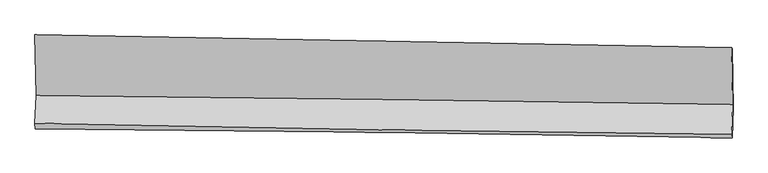
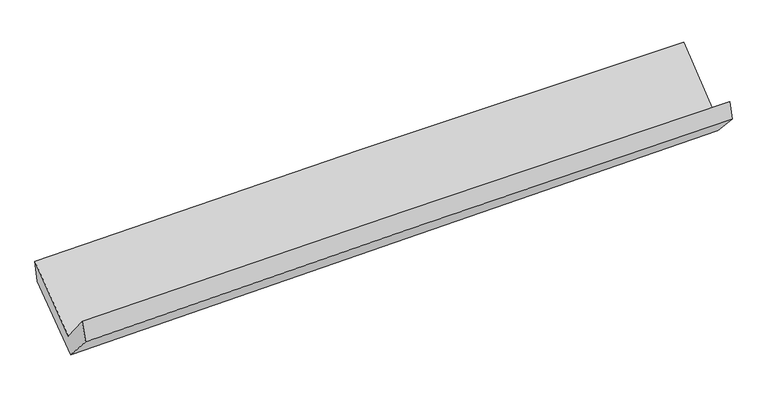
"""IFC4 building model written with IfcOpenShell, lengths in millimetres: proxy geometry."""

from ifc_helpers import new_model, si_unit, frame, origin, place, context, project, spatial, source, transform, mapped, element, save
from ifc_brep_helpers import plane_surface, spline_curve, spline_surface, advanced_brep


def generic_models_74ddb9eb(model_context):
    return source(origin(), model_context, "Body", "AdvancedBrep", [
        advanced_brep(
        [(-3033.9492264, -1154.9327019, 2163.5867828), (-3024.6073913, -1681.9347141, 1734.7535699), (3018.2999679, -1762.6088266, 1868.9818693), (3008.7177164, -1265.6338341, 2301.099995), (-3034.1661008, -1923.8536492, 2034.6337959), (3008.7897109, -2021.998297, 2164.0172711), (-3029.4272373, -1972.6681945, 1855.9562611), (3013.068191, -2050.3974168, 2005.4854176), (-3020.1165335, -1715.5732834, 1567.6713945), (3021.8047174, -1796.329735, 1737.2596864), (-3029.0346568, -1184.3264705, 1982.059635), (3013.158504, -1280.6695723, 2139.1220255)],
        [
            (0, 1),
            (1, 2, spline_curve(3, [(-3024.6073913, -1681.9347141, 1734.7535699), (-2017.299887975, -1692.02035971, 1752.229375152), (-1010.072097266, -1703.785998821, 1772.152926857), (1004.230356635, -1730.677348455, 1816.895662833), (2011.305018982, -1745.80308008, 1841.714877554), (3018.2999679, -1762.6088266, 1868.9818693)], [4, 2, 4], [0.0, 9.916438445622452, 19.832938899442368])),
            (2, 3),
            (3, 0, spline_curve(3, [(3008.7177164, -1265.6338341, 2301.099995), (2001.350531473, -1246.56922513, 2287.587901388), (994.10978654, -1227.811798315, 2269.372369702), (-1020.112526422, -1190.911424855, 2223.534573211), (-2027.094095461, -1172.768474198, 2195.91236769), (-3033.9492264, -1154.9327019, 2163.5867828)], [4, 2, 4], [0.0, 9.916500453819916, 19.832938899442368])),
            (1, 4),
            (4, 5, spline_curve(3, [(-3034.1661008, -1923.8536492, 2034.6337959), (-2027.312977175, -1946.359460539, 2066.200943426), (-1020.3083393, -1965.791071344, 2092.766455444), (994.01026252, -1998.50599214, 2135.894342796), (2001.324228826, -2011.789264333, 2152.456655968), (3008.7897109, -2021.998297, 2164.0172711)], [4, 2, 4], [0.0, 9.916369169071528, 19.83280034590733])),
            (5, 2),
            (4, 6),
            (6, 7, spline_curve(3, [(-3029.4272373, -1972.6681945, 1855.9562611), (-2022.417815205, -1979.406149741, 1884.720422422), (-1015.373392791, -1989.252532589, 1911.563233124), (998.791749531, -2015.162234418, 1961.406309111), (2005.912470004, -2031.225592333, 1984.406550763), (3013.068191, -2050.3974168, 2005.4854176)], [4, 2, 4], [0.0, 9.916334467319404, 19.83273094218609])),
            (7, 5),
            (6, 8),
            (8, 9, spline_curve(3, [(-3020.1165335, -1715.5732834, 1567.6713945), (-2013.225357223, -1733.14365916, 1598.751119693), (-1006.287905836, -1748.658536734, 1628.423300171), (1007.685843777, -1775.577379828, 1684.95274837), (2014.722142823, -1786.981319155, 1711.809998515), (3021.8047174, -1796.329735, 1737.2596864)], [4, 2, 4], [0.0, 9.916053080918925, 19.8321681676256])),
            (9, 7),
            (8, 10),
            (10, 11, spline_curve(3, [(-3029.0346568, -1184.3264705, 1982.059635), (-2022.100562885, -1204.555225324, 2011.127053854), (-1015.118993789, -1222.698176114, 2038.749259485), (998.945392814, -1254.812569293, 2091.103408001), (2006.028210388, -1268.783985812, 2115.835332422), (3013.158504, -1280.6695723, 2139.1220255)], [4, 2, 4], [0.0, 9.91619514530537, 19.83245229728683])),
            (11, 9),
            (10, 0),
            (3, 11),
        ],
        [
            spline_surface(3, 3, [[(-3033.9492264, -1154.9327019, 2163.5867828), (-2027.094095487, -1172.768474114, 2195.912367658), (-1020.112526281, -1190.911424802, 2223.534573351), (994.1097864, -1227.811798368, 2269.372369562), (2001.35053147, -1246.569225065, 2287.587901291), (3008.7177164, -1265.6338341, 2301.099995)], [(-3030.835281362, -1330.600039295, 2020.6423785), (-2023.82935966, -1345.85243593, 2048.018036856), (-1016.765716634, -1361.869616124, 2073.074024552), (997.483309837, -1395.433648445, 2118.546800638), (2004.668694017, -1412.980510113, 2138.963560051), (3011.91180023, -1431.292164927, 2157.060619761)], [(-3027.721336338, -1506.267376705, 1877.6979742), (-2020.564623848, -1518.93639776, 1900.123706052), (-1013.418906989, -1532.827807401, 1922.613475725), (1000.856833272, -1563.055498476, 1967.721231687), (2007.986856575, -1579.391795178, 1990.339218828), (3015.10588407, -1596.950495773, 2013.021244539)], [(-3024.6073913, -1681.9347141, 1734.7535699), (-2017.299888021, -1692.020359576, 1752.22937525), (-1010.072097341, -1703.785998723, 1772.152926926), (1004.23035671, -1730.677348553, 1816.895662764), (2011.305019122, -1745.803080225, 1841.714877588), (3018.2999679, -1762.6088266, 1868.9818693)]], [4, 4], [4, 2, 4], [0.0, 2.230666106430688], [0.0, 9.916438445622452, 19.832938899442368]),
            spline_surface(3, 3, [[(-3024.6073913, -1681.9347141, 1734.7535699), (-2017.299888021, -1692.020359576, 1752.22937525), (-1010.072097341, -1703.785998723, 1772.152926926), (1004.23035671, -1730.677348553, 1816.895662764), (2011.305019122, -1745.803080225, 1841.714877588), (3018.2999679, -1762.6088266, 1868.9818693)], [(-3027.793627796, -1762.57435915, 1834.713645221), (-2020.637584422, -1776.800059967, 1856.886564623), (-1013.484178036, -1791.12102287, 1879.024103063), (1000.823658666, -1819.953563106, 1923.228556168), (2007.978088987, -1834.46514161, 1945.295470442), (3015.129882249, -1849.071983411, 1967.32700326)], [(-3030.979864304, -1843.21400415, 1934.673720579), (-2023.975280836, -1861.579760309, 1961.543754033), (-1016.896258697, -1878.456047072, 1985.895279163), (997.416960656, -1909.229777713, 2029.561449536), (2004.651158804, -1923.127202961, 2048.876063215), (3011.959796551, -1935.535140189, 2065.67213714)], [(-3034.1661008, -1923.8536492, 2034.6337959), (-2027.312977238, -1946.3594607, 2066.200943406), (-1020.308339392, -1965.791071218, 2092.7664553), (994.010262612, -1998.505992266, 2135.89434294), (2001.324228669, -2011.789264346, 2152.456656069), (3008.7897109, -2021.998297, 2164.0172711)]], [4, 4], [4, 2, 4], [0.0, 1.3628780620868965], [0.0, 9.916369169071528, 19.83280034590733]),
            spline_surface(3, 3, [[(-3034.1661008, -1923.8536492, 2034.6337959), (-2027.312977238, -1946.3594607, 2066.200943406), (-1020.308339392, -1965.791071218, 2092.7664553), (994.010262612, -1998.505992266, 2135.89434294), (2001.324228669, -2011.789264346, 2152.456656069), (3008.7897109, -2021.998297, 2164.0172711)], [(-3032.586479643, -1940.125164289, 1975.074617659), (-2025.68125654, -1957.375023706, 2005.707436399), (-1018.66335719, -1973.611558359, 2032.365381204), (995.604091591, -2004.058073021, 2077.731665019), (2002.853642434, -2018.268040354, 2096.439954252), (3010.215870931, -2031.464670254, 2111.173319907)], [(-3031.006858457, -1956.396679411, 1915.515439341), (-2024.049535814, -1968.390586746, 1945.213929313), (-1017.018375, -1981.432045417, 1971.964307132), (997.197920558, -2009.610153694, 2019.568987122), (2004.383056208, -2024.746816401, 2040.423252516), (3011.642030969, -2040.931043546, 2058.329368793)], [(-3029.4272373, -1972.6681945, 1855.9562611), (-2022.417815117, -1979.406149751, 1884.720422306), (-1015.373392798, -1989.252532558, 1911.563233036), (998.791749537, -2015.16223445, 1961.4063092), (2005.912469973, -2031.22559241, 1984.406550699), (3013.068191, -2050.3974168, 2005.4854176)]], [4, 4], [4, 2, 4], [0.0, 0.587398801271121], [0.0, 9.916334467319404, 19.83273094218609]),
            spline_surface(3, 3, [[(-3029.4272373, -1972.6681945, 1855.9562611), (-2022.417815117, -1979.406149751, 1884.720422306), (-1015.373392798, -1989.252532558, 1911.563233036), (998.791749537, -2015.16223445, 1961.4063092), (2005.912469973, -2031.22559241, 1984.406550699), (3013.068191, -2050.3974168, 2005.4854176)], [(-3026.32366936, -1886.96989081, 1759.861305565), (-2019.353662485, -1897.318652911, 1789.397321423), (-1012.344897155, -1909.054533963, 1817.183255406), (1001.756447641, -1935.300616192, 1869.255122252), (2008.849027575, -1949.810834715, 1893.541033321), (3015.980366465, -1965.708189538, 1916.076840536)], [(-3023.22010144, -1801.27158709, 1663.766350035), (-2016.289509873, -1815.23115604, 1694.074220544), (-1009.316401532, -1828.856535425, 1722.803277795), (1004.721145726, -1855.43899799, 1777.103935323), (2011.78558518, -1868.396077007, 1802.675515934), (3018.892541935, -1881.018962262, 1826.668263464)], [(-3020.1165335, -1715.5732834, 1567.6713945), (-2013.225357242, -1733.1436592, 1598.75111966), (-1006.287905889, -1748.658536831, 1628.423300165), (1007.68584383, -1775.577379732, 1684.952748375), (2014.722142782, -1786.981319312, 1711.809998556), (3021.8047174, -1796.329735, 1737.2596864)]], [4, 4], [4, 2, 4], [0.0, 1.209958251029029], [0.0, 9.916053080918925, 19.8321681676256]),
            spline_surface(3, 3, [[(-3020.1165335, -1715.5732834, 1567.6713945), (-2013.225357242, -1733.1436592, 1598.75111966), (-1006.287905889, -1748.658536831, 1628.423300165), (1007.68584383, -1775.577379732, 1684.952748375), (2014.722142782, -1786.981319312, 1711.809998556), (3021.8047174, -1796.329735, 1737.2596864)], [(-3023.089241271, -1538.491012423, 1705.800807975), (-2016.183759149, -1556.947514571, 1736.209764421), (-1009.231601839, -1573.338416559, 1765.198619995), (1004.772360081, -1601.989109608, 1820.336301556), (2011.82416528, -1614.248874853, 1846.485109863), (3018.922646246, -1624.443014088, 1871.213799458)], [(-3026.061949029, -1361.408741477, 1843.930221525), (-2019.142161045, -1380.751369972, 1873.668409257), (-1012.175297698, -1398.018296303, 1901.973939782), (1001.858876422, -1428.4008395, 1955.719854694), (2008.926187842, -1441.516430428, 1981.160221096), (3016.040575154, -1452.556293212, 2005.167912442)], [(-3029.0346568, -1184.3264705, 1982.059635), (-2022.100562953, -1204.555225343, 2011.127054018), (-1015.118993648, -1222.698176031, 2038.749259611), (998.945392672, -1254.812569376, 2091.103407875), (2006.02821034, -1268.783985969, 2115.835332403), (3013.158504, -1280.6695723, 2139.1220255)]], [4, 4], [4, 2, 4], [0.0, 2.1778552187067555], [0.0, 9.91619514530537, 19.83245229728683]),
            spline_surface(3, 3, [[(-3029.0346568, -1184.3264705, 1982.059635), (-2022.100562953, -1204.555225343, 2011.127054018), (-1015.118993648, -1222.698176031, 2038.749259611), (998.945392672, -1254.812569376, 2091.103407875), (2006.02821034, -1268.783985969, 2115.835332403), (3013.158504, -1280.6695723, 2139.1220255)], [(-3030.672846669, -1174.528547633, 2042.568684279), (-2023.7650738, -1193.9596416, 2072.722158577), (-1016.783504495, -1212.102592288, 2100.34436417), (997.333523945, -1245.812312373, 2150.526395083), (2004.468984062, -1261.379065682, 2173.086188677), (3011.678241479, -1275.657659581, 2193.114681978)], [(-3032.311036531, -1164.730624767, 2103.077733521), (-2025.42958464, -1183.364057857, 2134.3172631), (-1018.448015434, -1201.507008545, 2161.939468793), (995.721655127, -1236.81205537, 2209.949382354), (2002.909757748, -1253.974145352, 2230.337045017), (3010.197978921, -1270.645746819, 2247.107338522)], [(-3033.9492264, -1154.9327019, 2163.5867828), (-2027.094095487, -1172.768474114, 2195.912367658), (-1020.112526281, -1190.911424802, 2223.534573351), (994.1097864, -1227.811798368, 2269.372369562), (2001.35053147, -1246.569225065, 2287.587901291), (3008.7177164, -1265.6338341, 2301.099995)]], [4, 4], [4, 2, 4], [0.0, 0.6035340152844146], [0.0, 9.916549335933956, 19.83316068075878]),
            plane_surface(frame((3013.9731346, -1696.272947, 2035.9943775), z_axis=(0.9995994150203457, -0.00495507252588903, 0.02786497348367472), x_axis=(-0.013224259259016302, 0.7886948096384515, 0.6146426736050932))),
            plane_surface(frame((-3028.550191, -1605.5481689, 1889.7769065), z_axis=(-0.9995994150206272, 0.004955072516871609, -0.02786497347518504), x_axis=(0.026715831530183854, -0.15978590857501263, -0.9867901133303417))),
        ],
        [
            (0, [[1, 2, 3, 4]]),
            (1, [[5, 6, 7, -2]]),
            (2, [[8, 9, 10, -6]]),
            (3, [[11, 12, 13, -9]]),
            (4, [[14, 15, 16, -12]]),
            (5, [[17, -4, 18, -15]]),
            (6, [[-16, -18, -3, -7, -10, -13]]),
            (7, [[-17, -14, -11, -8, -5, -1]]),
        ],
    ),
    ])


if __name__ == "__main__":
    model = new_model("IFC4")
    model_context = context("Model", 3, world=origin())
    ifc_project = project(units=[si_unit("LENGTHUNIT", "METRE", prefix="MILLI")], contexts=[model_context])
    site = spatial("IfcSite", under=ifc_project)
    building = spatial("IfcBuilding", under=site)
    placement = place(None, origin())
    generic_models_shape = generic_models_74ddb9eb(model_context)
    element("IfcBuildingElementProxy", 1, Name="Generic Models", at=placement, inside=building, context=model_context, shape_type="MappedRepresentation", body=[
        mapped(generic_models_shape, transform((0.0, 0.0, 0.0), x_axis=(1.0, 0.0, 0.0), y_axis=(0.0, 1.0, 0.0), z_axis=(0.0, 0.0, 1.0))),
    ])
    save(model, "model.ifc")
